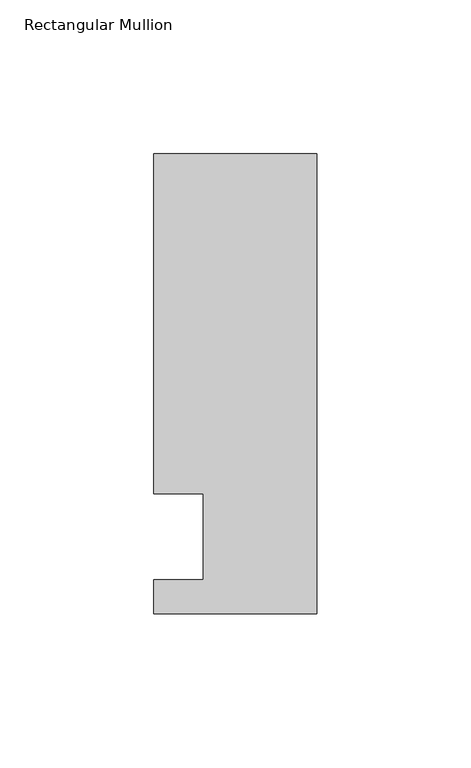
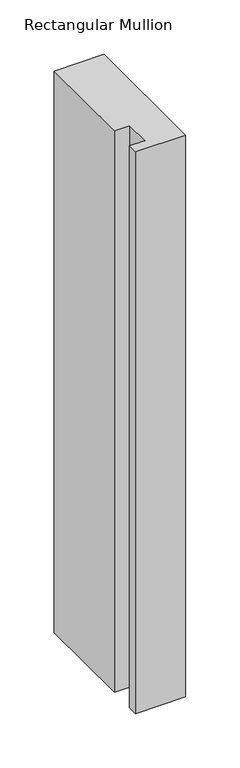
"""IFC4 building model written with IfcOpenShell, lengths in millimetres: member geometry, Rectangular Mullion."""

from ifc_helpers import new_model, si_unit, frame, origin, place, context, project, spatial, polyline, outline, extrude, source, transform, mapped, element, save


def rectangular_mullion_99c9a5f1(model_context):
    return source(origin(), model_context, "Body", "SweptSolid", [
        extrude(outline(polyline([(-37.0, -13.9999453), (-37.0, 14.0000547), (-53.0, 14.0000547), (-53.0, 124.5000547), (0.0, 124.5000547), (0.0, -24.9999453), (-53.0, -24.9999453), (-53.0, -13.9999453), (-37.0, -13.9999453)])), frame((0.0, 0.0, -629.2376689), z_axis=(0.0, 0.0, 1.0), x_axis=(1.0, 0.0, 0.0)), (0.0, 0.0, 1.0), 629.2376689),
    ])


if __name__ == "__main__":
    model = new_model("IFC4")
    model_context = context("Model", 3, world=origin())
    ifc_project = project(units=[si_unit("LENGTHUNIT", "METRE", prefix="MILLI")], contexts=[model_context])
    site = spatial("IfcSite", under=ifc_project)
    building = spatial("IfcBuilding", under=site)
    placement = place(None, origin())
    rectangular_mullion_shape = rectangular_mullion_99c9a5f1(model_context)
    element("IfcMember", 1, ObjectType="Rectangular Mullion", at=placement, inside=building, context=model_context, shape_type="MappedRepresentation", body=[
        mapped(rectangular_mullion_shape, transform((0.0, 0.0, 0.0), x_axis=(1.0, 0.0, 0.0), y_axis=(0.0, 1.0, 0.0), z_axis=(0.0, 0.0, 1.0))),
    ])
    save(model, "model.ifc")
